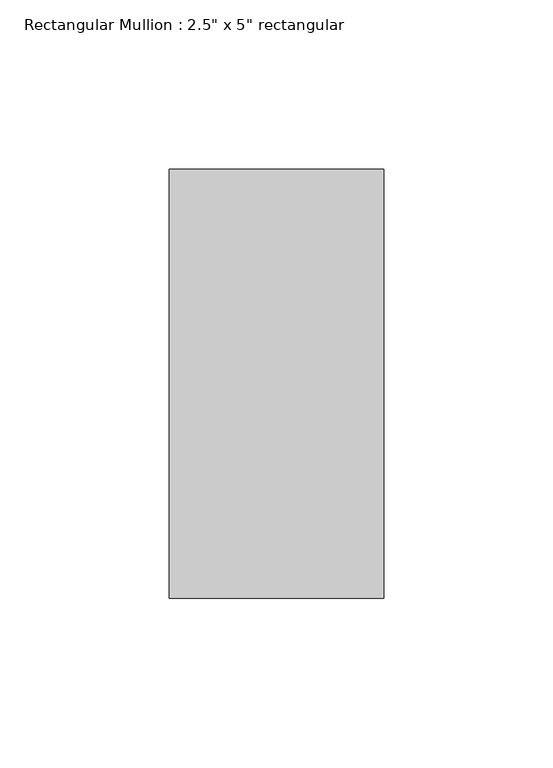
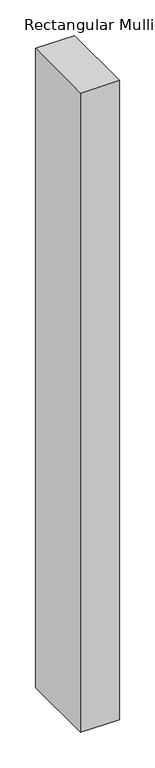
"""IFC4 building model written with IfcOpenShell, lengths in millimetres: member geometry."""

from ifc_helpers import new_model, si_unit, frame, origin, place, context, project, spatial, polyline, outline, extrude, source, transform, mapped, element, save


def member_69c8e218(model_context):
    return source(origin(), model_context, "Body", "SweptSolid", [
        extrude(outline(polyline([(0.0, 63.5), (0.0, -63.5), (-63.5, -63.5), (-63.5, 63.5), (0.0, 63.5)])), frame((0.0, 0.0, -1098.55), z_axis=(0.0, 0.0, 1.0), x_axis=(1.0, 0.0, 0.0)), (0.0, 0.0, 1.0), 1098.55),
    ])


if __name__ == "__main__":
    model = new_model("IFC4")
    model_context = context("Model", 3, world=origin())
    ifc_project = project(units=[si_unit("LENGTHUNIT", "METRE", prefix="MILLI")], contexts=[model_context])
    site = spatial("IfcSite", under=ifc_project)
    building = spatial("IfcBuilding", under=site)
    placement = place(None, origin())
    member_shape = member_69c8e218(model_context)
    element("IfcMember", 1, ObjectType="Rectangular Mullion : 2.5\" x 5\" rectangular", at=placement, inside=building, context=model_context, shape_type="MappedRepresentation", body=[
        mapped(member_shape, transform((0.0, 0.0, 0.0), x_axis=(1.0, 0.0, 0.0), y_axis=(0.0, 1.0, 0.0), z_axis=(0.0, 0.0, 1.0))),
    ])
    save(model, "model.ifc")
